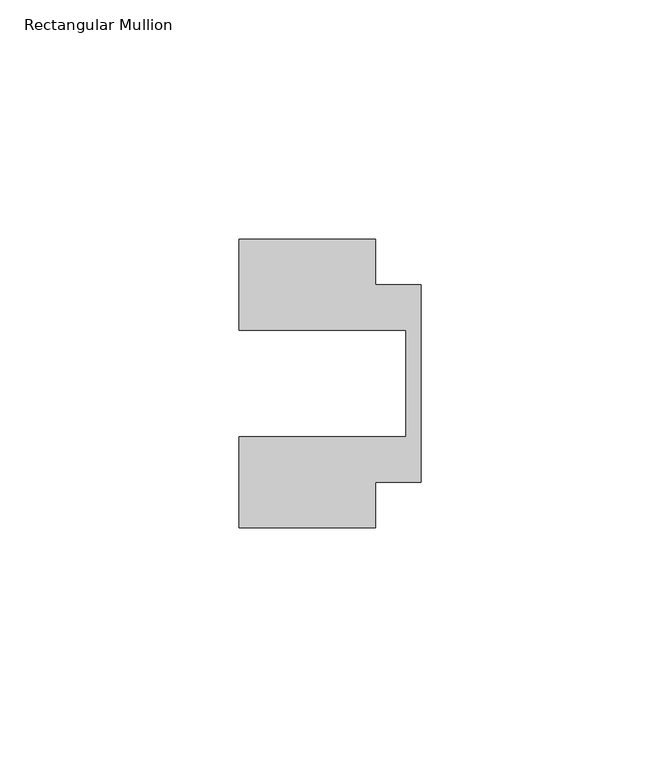
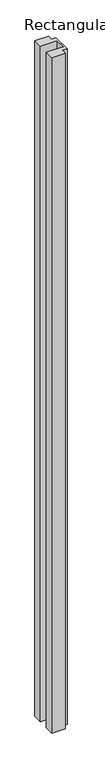
"""IFC4 building model written with IfcOpenShell, lengths in millimetres: member geometry, Rectangular Mullion."""

import ifcopenshell
import ifcopenshell.guid

model = None  # the IFC model being written
_history = None  # IfcOwnerHistory: only IFC2X3 demands one
_inside = {}  # id of a spatial element -> (the spatial element, [elements in it])
_under = {}  # id of a project, library or spatial element -> (it, [spatial elements below it])
_declared = {}  # id of a project -> (the project, [libraries it declares])
_typed = {}  # id of a type object -> (the type object, [elements of that type])
_made_of = {}  # id of a material, layer set ... -> (it, [elements and type objects made of it])


def new_model(schema):
    """Start an empty IFC model of exactly this schema.

    Asked for "IFC4X3", IfcOpenShell would pick the latest addendum, in which some entities
    have other attributes; the version numbers below select the first issue.
    IFC2X3 requires an IfcOwnerHistory on every rooted entity: one is made here for all.
    """
    global model, _history
    if schema == "IFC4X3":
        model = ifcopenshell.file(schema_version=(4, 3, 0, 0))
    else:
        model = ifcopenshell.file(schema=schema)
    _inside.clear()
    _under.clear()
    _declared.clear()
    _typed.clear()
    _made_of.clear()
    _history = None
    if model.schema == "IFC2X3":
        org = make("IfcOrganization", Name="unknown")
        user = make(
            "IfcPersonAndOrganization",
            ThePerson=make("IfcPerson", FamilyName="unknown"),
            TheOrganization=org,
        )
        app = make(
            "IfcApplication",
            ApplicationDeveloper=org,
            Version="unknown",
            ApplicationFullName="unknown",
            ApplicationIdentifier="unknown",
        )
        _history = make(
            "IfcOwnerHistory",
            OwningUser=user,
            OwningApplication=app,
            ChangeAction="ADDED",
            CreationDate=0,
        )
    return model


def make(cls, **values):
    """One entity of the class cls with the attributes given. An attribute that is None is left unset."""
    return model.create_entity(
        cls, **{name: value for name, value in values.items() if value is not None}
    )


def rooted(cls, **values):
    """An entity with a GlobalId (a new one), such as an element, a storey or a relation."""
    return make(cls, GlobalId=ifcopenshell.guid.new(), OwnerHistory=_history, **values)


def si_unit(unit_type, name, prefix=None):
    """IfcSIUnit, for example si_unit("LENGTHUNIT", "METRE", prefix="MILLI")."""
    return make("IfcSIUnit", UnitType=unit_type, Prefix=prefix, Name=name)


def assignment(units):
    """IfcUnitAssignment: the units of a project."""
    return None if units is None else make("IfcUnitAssignment", Units=units)


def point(xyz):
    """IfcCartesianPoint."""
    return None if xyz is None else make("IfcCartesianPoint", Coordinates=xyz)


def direction(xyz):
    """IfcDirection."""
    return None if xyz is None else make("IfcDirection", DirectionRatios=xyz)


def frame(location, z_axis=None, x_axis=None):
    """IfcAxis2Placement3D, a coordinate frame: its origin and axes. An axis left out is left unset."""
    return make(
        "IfcAxis2Placement3D",
        Location=point(location),
        Axis=direction(z_axis),
        RefDirection=direction(x_axis),
    )


def origin():
    """The frame at (0, 0, 0) with its axes left unset."""
    return frame((0.0, 0.0, 0.0))


def place(relative_to, where):
    """IfcLocalPlacement: puts the frame where relative to a parent placement (None: the world)."""
    return make(
        "IfcLocalPlacement", PlacementRelTo=relative_to, RelativePlacement=where
    )


def context(
    kind, dimensions, precision=None, world=None, true_north=None, identifier=None
):
    """IfcGeometricRepresentationContext, for example the 3D "Model" context."""
    return make(
        "IfcGeometricRepresentationContext",
        ContextIdentifier=identifier,
        ContextType=kind,
        CoordinateSpaceDimension=dimensions,
        Precision=precision,
        WorldCoordinateSystem=world,
        TrueNorth=true_north,
    )


def project(units=None, contexts=None):
    """IfcProject with its units and contexts."""
    return rooted(
        "IfcProject",
        Name="project",
        RepresentationContexts=contexts,
        UnitsInContext=assignment(units),
    )


def spatial(cls, under=None, at=None, **own):
    """A site, building, storey or space (cls), placed at a placement, below another one or the project."""
    s = rooted(cls, ObjectPlacement=at, **own)
    if under is not None:
        _under.setdefault(under.id(), (under, []))[1].append(s)
    return s


def polyline(points):
    """IfcPolyline through the points."""
    return make("IfcPolyline", Points=[point(p) for p in points])


def outline(outer, holes=None, kind="AREA"):
    """IfcArbitraryClosedProfileDef: a profile drawn as a closed curve; with holes, ...WithVoids."""
    if holes is None:
        return make("IfcArbitraryClosedProfileDef", ProfileType=kind, OuterCurve=outer)
    return make(
        "IfcArbitraryProfileDefWithVoids",
        ProfileType=kind,
        OuterCurve=outer,
        InnerCurves=holes,
    )


def extrude(swept, where, along, depth):
    """IfcExtrudedAreaSolid: the profile swept, set in the frame where, extruded along a direction by depth."""
    return make(
        "IfcExtrudedAreaSolid",
        SweptArea=swept,
        Position=where,
        ExtrudedDirection=direction(along),
        Depth=depth,
    )


def shape(context_of_items, identifier, shape_type, items):
    """IfcShapeRepresentation: the items that make up one representation, for example the "Body"."""
    return make(
        "IfcShapeRepresentation",
        ContextOfItems=context_of_items,
        RepresentationIdentifier=identifier,
        RepresentationType=shape_type,
        Items=items,
    )


def source(mapping_origin, context_of_items, identifier, shape_type, items):
    """IfcRepresentationMap: a shape defined once, which mapped items show again and again."""
    return make(
        "IfcRepresentationMap",
        MappingOrigin=mapping_origin,
        MappedRepresentation=shape(context_of_items, identifier, shape_type, items),
    )


def transform(
    local_origin,
    x_axis=None,
    y_axis=None,
    z_axis=None,
    scale=None,
    scale2=None,
    scale3=None,
    uniform=True,
):
    """IfcCartesianTransformationOperator3D, or its non-uniform kind. x_axis, y_axis, z_axis: its Axis1, 2, 3."""
    if uniform:
        return make(
            "IfcCartesianTransformationOperator3D",
            Axis1=direction(x_axis),
            Axis2=direction(y_axis),
            LocalOrigin=point(local_origin),
            Scale=scale,
            Axis3=direction(z_axis),
        )
    return make(
        "IfcCartesianTransformationOperator3DnonUniform",
        Axis1=direction(x_axis),
        Axis2=direction(y_axis),
        LocalOrigin=point(local_origin),
        Scale=scale,
        Axis3=direction(z_axis),
        Scale2=scale2,
        Scale3=scale3,
    )


def mapped(mapping_source, mapping_target):
    """IfcMappedItem: shows the shape of a source again, moved by a transform."""
    return make(
        "IfcMappedItem", MappingSource=mapping_source, MappingTarget=mapping_target
    )


def made_of(thing, what):
    """Note that an element or type object is made of a material, layer set ...; save() writes the relation."""
    if what is not None:
        _made_of.setdefault(what.id(), (what, []))[1].append(thing)
    return thing


def element(
    cls,
    number,
    at=None,
    inside=None,
    cuts=None,
    type_object=None,
    material=None,
    context=None,
    identifier="Body",
    shape_type=None,
    held_by="IfcProductDefinitionShape",
    body=None,
    shapes=None,
    **own,
):
    """One element of the class cls, such as IfcWall. Its Tag is "e" and its number.

    at: its placement. inside: the storey or other place that contains it. cuts: it is an
    opening in that element (IfcRelVoidsElement). A single representation is given by context,
    identifier, shape_type and body (its items); several are given by shapes. held_by: the class
    of the entity that holds the representations. save() writes the other relations.
    """
    e = rooted(cls, Tag="e%d" % number, ObjectPlacement=at, **own)
    if body is not None:
        shapes = [shape(context, identifier, shape_type, body)]
    if shapes is not None:
        e.Representation = make(held_by, Representations=shapes)
    if inside is not None:
        _inside.setdefault(inside.id(), (inside, []))[1].append(e)
    if cuts is not None:
        rooted(
            "IfcRelVoidsElement", RelatingBuildingElement=cuts, RelatedOpeningElement=e
        )
    if type_object is not None:
        _typed.setdefault(type_object.id(), (type_object, []))[1].append(e)
    return made_of(e, material)


def aggregate(whole, parts):
    """IfcRelAggregates: a whole, such as a stair, and the parts it consists of."""
    return rooted("IfcRelAggregates", RelatingObject=whole, RelatedObjects=parts)


def save(model, path):
    """Write the relations noted so far, then the file.

    IfcRelAggregates (storeys below a building ...), IfcRelContainedInSpatialStructure (elements
    in a storey), IfcRelDefinesByType, IfcRelAssociatesMaterial and IfcRelDeclares: one each for
    every whole, place, type object, material and project.
    """
    for whole, parts in _under.values():
        aggregate(whole, parts)
    for where, things in _inside.values():
        rooted(
            "IfcRelContainedInSpatialStructure",
            RelatedElements=things,
            RelatingStructure=where,
        )
    for kind, things in _typed.values():
        rooted("IfcRelDefinesByType", RelatedObjects=things, RelatingType=kind)
    for what, things in _made_of.values():
        rooted("IfcRelAssociatesMaterial", RelatedObjects=things, RelatingMaterial=what)
    for by, libraries in _declared.values():
        rooted("IfcRelDeclares", RelatingContext=by, RelatedDefinitions=libraries)
    model.write(path)


def rectangular_mullion_ff66211d(model_context):
    return source(origin(), model_context, "Body", "SweptSolid", [
        extrude(outline(polyline([(-38.1, 11.1125), (-38.1, 30.1625), (-9.525, 30.1625), (-9.525, 20.6375), (0.0, 20.6375), (0.0, -20.6375), (-9.525, -20.6375), (-9.525, -30.1625), (-38.1, -30.1625), (-38.1, -11.1125), (-3.175, -11.1125), (-3.175, 11.1125), (-38.1, 11.1125)])), frame((0.0, 0.0, -1485.9), z_axis=(0.0, 0.0, 1.0), x_axis=(1.0, 0.0, 0.0)), (0.0, 0.0, 1.0), 1485.9),
    ])


if __name__ == "__main__":
    model = new_model("IFC4")
    model_context = context("Model", 3, world=origin())
    ifc_project = project(units=[si_unit("LENGTHUNIT", "METRE", prefix="MILLI")], contexts=[model_context])
    site = spatial("IfcSite", under=ifc_project)
    building = spatial("IfcBuilding", under=site)
    placement = place(None, origin())
    rectangular_mullion_shape = rectangular_mullion_ff66211d(model_context)
    element("IfcMember", 1, ObjectType="Rectangular Mullion", at=placement, inside=building, context=model_context, shape_type="MappedRepresentation", body=[
        mapped(rectangular_mullion_shape, transform((0.0, 0.0, 0.0), x_axis=(1.0, 0.0, 0.0), y_axis=(0.0, 1.0, 0.0), z_axis=(0.0, 0.0, 1.0))),
    ])
    save(model, "model.ifc")
